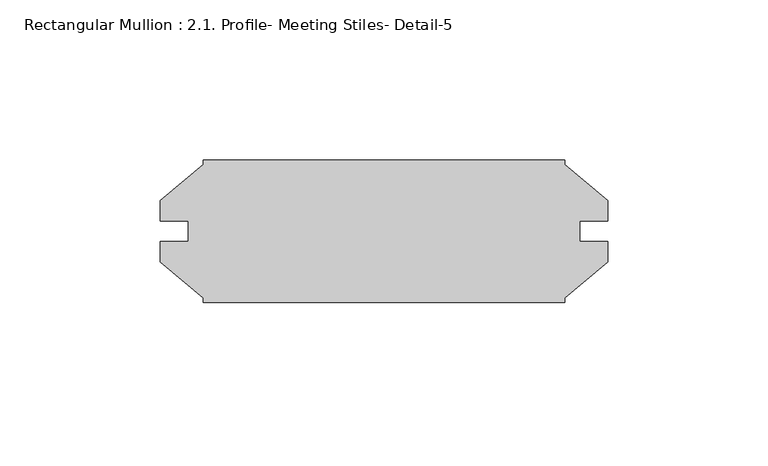
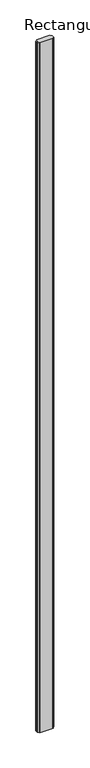
"""IFC4 building model written with IfcOpenShell, lengths in millimetres: member geometry, Rectangular Mullion : 2.1. Profile- Meeting Stiles- Detail-5."""

from ifc_helpers import new_model, si_unit, frame, origin, place, context, project, spatial, polyline, outline, extrude, source, transform, mapped, element, save


def rectangular_mullion_2_1_profile_meeting_stiles_detail_5_5a293565(model_context):
    return source(origin(), model_context, "Body", "SweptSolid", [
        extrude(outline(polyline([(-69.8181715, -9.7996284), (-69.8181715, -3.4293499), (-61.1186715, -3.4293499), (-61.1186715, 2.8947611), (-69.8181715, 2.8947611), (-69.8181715, 9.2650397), (-56.3561715, 20.5609989), (-56.3561715, 21.9577056), (56.3561715, 21.9577056), (56.3561715, 20.5609989), (69.8181715, 9.2650397), (69.8181715, 2.8947611), (61.1313715, 2.8947611), (61.1313715, -3.4293499), (69.8181715, -3.4293499), (69.8181715, -9.7996284), (56.3561715, -21.0955876), (56.3561715, -22.4922944), (-56.3561715, -22.4922944), (-56.3561715, -21.0955876), (-69.8181715, -9.7996284)])), frame((0.0, 0.0, -6096.0), z_axis=(0.0, 0.0, 1.0), x_axis=(1.0, 0.0, 0.0)), (0.0, 0.0, 1.0), 6096.0),
    ])


if __name__ == "__main__":
    model = new_model("IFC4")
    model_context = context("Model", 3, world=origin())
    ifc_project = project(units=[si_unit("LENGTHUNIT", "METRE", prefix="MILLI")], contexts=[model_context])
    site = spatial("IfcSite", under=ifc_project)
    building = spatial("IfcBuilding", under=site)
    placement = place(None, origin())
    rectangular_mullion_2_1_profile_meeting_stiles_detail_5_shape = rectangular_mullion_2_1_profile_meeting_stiles_detail_5_5a293565(model_context)
    element("IfcMember", 1, ObjectType="Rectangular Mullion : 2.1. Profile- Meeting Stiles- Detail-5", at=placement, inside=building, context=model_context, shape_type="MappedRepresentation", body=[
        mapped(rectangular_mullion_2_1_profile_meeting_stiles_detail_5_shape, transform((0.0, 0.0, 0.0), x_axis=(1.0, 0.0, 0.0), y_axis=(0.0, 1.0, 0.0), z_axis=(0.0, 0.0, 1.0))),
    ])
    save(model, "model.ifc")
